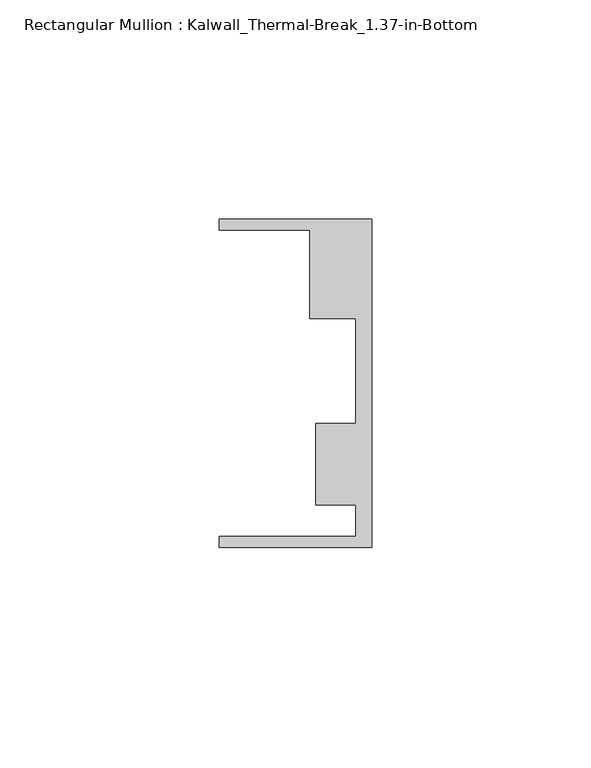
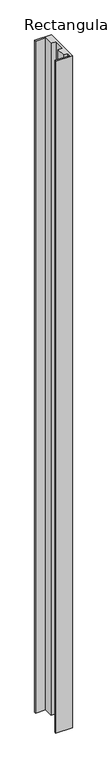
"""IFC4 building model written with IfcOpenShell, lengths in millimetres: member geometry, Rectangular Mullion : Kalwall_Thermal-Break_1.37-in-Bottom."""

from ifc_helpers import new_model, si_unit, frame, origin, place, context, project, spatial, polyline, outline, extrude, source, transform, mapped, element, save


def rectangular_mullion_kalwall_thermal_break_1_37_in_bottom_15b8e74f(model_context):
    return source(origin(), model_context, "Body", "SweptSolid", [
        extrude(outline(polyline([(0.0, -37.5776386), (-34.925, -37.5776386), (-34.925, -35.0376386), (-3.7084, -35.0376386), (-3.7084, -27.8888568), (-12.8272539, -27.8888568), (-12.8272539, -9.1879886), (-3.7084, -9.1879886), (-3.7084, 14.7812677), (-14.1882812, 14.7812677), (-14.1882812, 34.9623614), (-34.925, 34.9623614), (-34.925, 37.5023614), (0.0, 37.5023614), (0.0, -37.5776386)])), frame((0.0, 0.0, -1477.4129997), z_axis=(0.0, 0.0, 1.0), x_axis=(1.0, 0.0, 0.0)), (0.0, 0.0, 1.0), 1477.4129997),
    ])


if __name__ == "__main__":
    model = new_model("IFC4")
    model_context = context("Model", 3, world=origin())
    ifc_project = project(units=[si_unit("LENGTHUNIT", "METRE", prefix="MILLI")], contexts=[model_context])
    site = spatial("IfcSite", under=ifc_project)
    building = spatial("IfcBuilding", under=site)
    placement = place(None, origin())
    rectangular_mullion_kalwall_thermal_break_1_37_in_bottom_shape = rectangular_mullion_kalwall_thermal_break_1_37_in_bottom_15b8e74f(model_context)
    element("IfcMember", 1, ObjectType="Rectangular Mullion : Kalwall_Thermal-Break_1.37-in-Bottom", at=placement, inside=building, context=model_context, shape_type="MappedRepresentation", body=[
        mapped(rectangular_mullion_kalwall_thermal_break_1_37_in_bottom_shape, transform((0.0, 0.0, 0.0), x_axis=(1.0, 0.0, 0.0), y_axis=(0.0, 1.0, 0.0), z_axis=(0.0, 0.0, 1.0))),
    ])
    save(model, "model.ifc")
